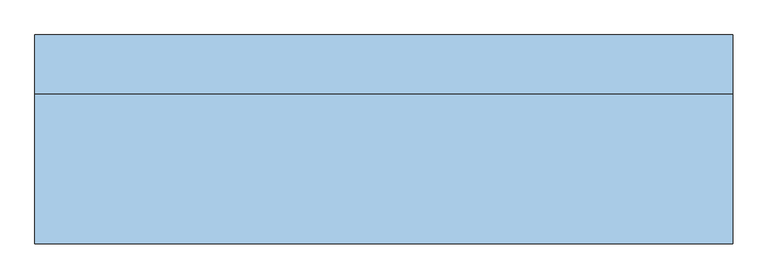
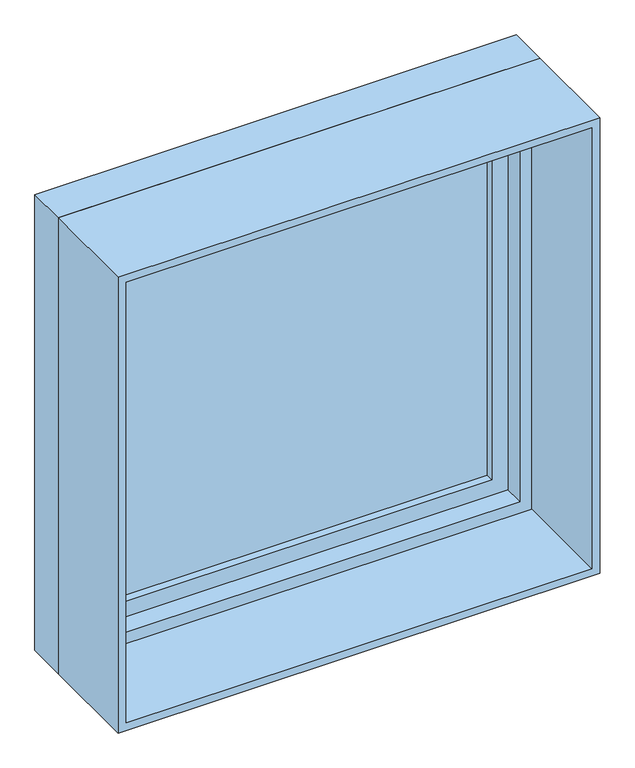
"""IFC4 building model written with IfcOpenShell, lengths in millimetres: window geometry."""

from ifc_helpers import new_model, si_unit, frame, origin, place, context, project, spatial, polyline, outline, extrude, source, transform, mapped, element, save


def window_f2ba3c68(model_context):
    return source(origin(), model_context, "Body", "SweptSolid", [
        extrude(outline(polyline([(1950.0, 502.6017307), (1950.0, -587.3982693), (860.0, -587.3982693), (860.0, 502.6017307), (1950.0, 502.6017307)]), holes=[polyline([(900.0, -547.3982693), (1910.0, -547.3982693), (1910.0, 462.6017307), (900.0, 462.6017307), (900.0, -547.3982693)])]), frame((0.0, 98.0, 0.0), z_axis=(0.0, 1.0, 0.0), x_axis=(0.0, 0.0, 1.0)), (0.0, 0.0, 1.0), 50.0),
        extrude(outline(polyline([(2000.0, -637.3982693), (810.0, -637.3982693), (810.0, 552.6017307), (2000.0, 552.6017307), (2000.0, -637.3982693)]), holes=[polyline([(1950.0, 502.6017307), (860.0, 502.6017307), (860.0, -587.3982693), (1950.0, -587.3982693), (1950.0, 502.6017307)])]), frame((0.0, 48.0, 0.0), z_axis=(0.0, 1.0, 0.0), x_axis=(0.0, 0.0, 1.0)), (0.0, 0.0, 1.0), 100.0),
        extrude(outline(polyline([(-547.3982693, 128.0), (462.6017307, 128.0), (462.6017307, 118.0), (-547.3982693, 118.0), (-547.3982693, 128.0)])), frame((0.0, 0.0, 900.0), z_axis=(0.0, 0.0, 1.0), x_axis=(1.0, 0.0, 0.0)), (0.0, 0.0, 1.0), 1010.0),
        extrude(outline(polyline([(810.0, 552.6017307), (2000.0, 552.6017307), (2000.0, -637.3982693), (810.0, -637.3982693), (810.0, 552.6017307)]), holes=[polyline([(830.0, 532.6017307), (830.0, -617.3982693), (1980.0, -617.3982693), (1980.0, 532.6017307), (830.0, 532.6017307)])]), frame((0.0, -208.0, 0.0), z_axis=(0.0, 1.0, 0.0), x_axis=(0.0, 0.0, 1.0)), (0.0, 0.0, 1.0), 256.0),
    ])


if __name__ == "__main__":
    model = new_model("IFC4")
    model_context = context("Model", 3, world=origin())
    ifc_project = project(units=[si_unit("LENGTHUNIT", "METRE", prefix="MILLI")], contexts=[model_context])
    site = spatial("IfcSite", under=ifc_project)
    building = spatial("IfcBuilding", under=site)
    placement = place(None, origin())
    window_shape = window_f2ba3c68(model_context)
    element("IfcWindow", 1, at=placement, inside=building, context=model_context, shape_type="MappedRepresentation", body=[
        mapped(window_shape, transform((0.0, 0.0, 0.0), x_axis=(1.0, 0.0, 0.0), y_axis=(0.0, 1.0, 0.0), z_axis=(0.0, 0.0, 1.0))),
    ])
    save(model, "model.ifc")
